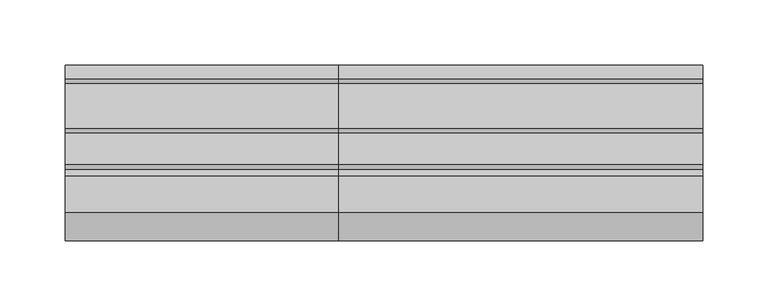
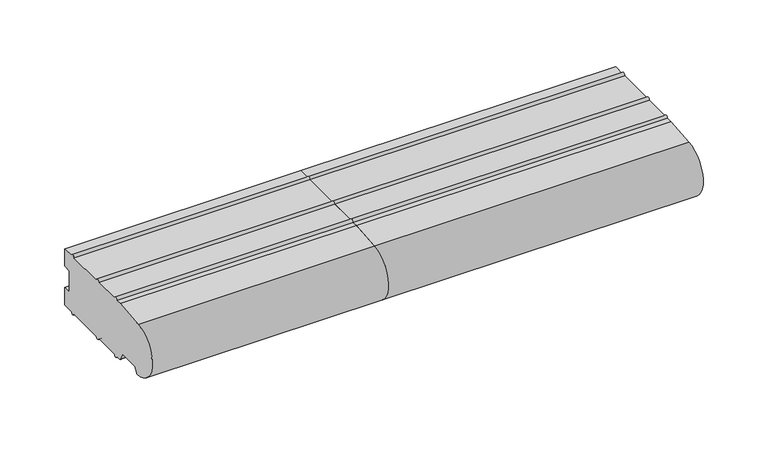
"""IFC4 building model written with IfcOpenShell, lengths in millimetres: proxy geometry."""

from ifc_helpers import new_model, si_unit, point, frame, frame_2d, origin, place, context, project, spatial, polyline, circle_curve, trimmed, segment, composite_curve, outline, extrude, source, transform, mapped, element, save


def generic_models_f843e7ea(model_context):
    return source(origin(), model_context, "Body", "SweptSolid", [
        extrude(outline(composite_curve([segment(trimmed(circle_curve(frame_2d((-26.0, 26.5)), 24.0), [point((-26.5981483, 2.5074549))], [point((-28.0858073, 50.4091909))], False, "CARTESIAN"), True, "CONTINUOUS"), segment(polyline([(-28.0858073, 50.4091909), (0.0, 52.8593609), (5.0, 52.8593609)]), True, "CONTINUOUS"), segment(trimmed(circle_curve(frame_2d((6.75, 52.8593609)), 1.75), [point((5.0, 52.8593609))], [point((8.5, 52.8593609))], False, "CARTESIAN"), True, "CONTINUOUS"), segment(polyline([(8.5, 52.8593609), (33.0, 52.8593609)]), True, "CONTINUOUS"), segment(trimmed(circle_curve(frame_2d((34.75, 52.8593609)), 1.75), [point((33.0, 52.8593609))], [point((36.5, 52.8593609))], False, "CARTESIAN"), True, "CONTINUOUS"), segment(polyline([(36.5, 52.8593609), (71.0, 52.8593609)]), True, "CONTINUOUS"), segment(trimmed(circle_curve(frame_2d((72.75, 52.8593609)), 1.75), [point((71.0, 52.8593609))], [point((74.5, 52.8593609))], False, "CARTESIAN"), True, "CONTINUOUS"), segment(polyline([(74.5, 52.8593609), (85.0, 52.8593609), (85.0, 36.5), (78.0, 36.5), (78.0, 16.5), (85.0, 16.5), (85.0, 0.0), (74.5, 0.0)]), True, "CONTINUOUS"), segment(trimmed(circle_curve(frame_2d((72.75, 0.0)), 1.75), [point((74.5, 0.0))], [point((71.0, 0.0))], False, "CARTESIAN"), True, "CONTINUOUS"), segment(polyline([(71.0, 0.0), (36.5, 0.0)]), True, "CONTINUOUS"), segment(trimmed(circle_curve(frame_2d((34.75, 0.0)), 1.75), [point((36.5, 0.0))], [point((33.0, 0.0))], False, "CARTESIAN"), True, "CONTINUOUS"), segment(polyline([(33.0, 0.0), (8.5, 0.0)]), True, "CONTINUOUS"), segment(trimmed(circle_curve(frame_2d((6.75, 0.0)), 1.75), [point((8.5, 0.0))], [point((5.0, 0.0))], False, "CARTESIAN"), True, "CONTINUOUS"), segment(polyline([(5.0, 0.0), (0.5773503, 0.0)]), True, "CONTINUOUS"), segment(trimmed(circle_curve(frame_2d((0.5773503, 1.0)), 1.0), [point((0.5773503, 0.0))], [point((-0.2886751, 0.5))], False, "CARTESIAN"), True, "CONTINUOUS"), segment(polyline([(-0.2886751, 0.5), (-3.7527767, 6.5)]), True, "CONTINUOUS"), segment(trimmed(circle_curve(frame_2d((-5.4848276, 5.5)), 2.0), [point((-3.7527767, 6.5))], [point((-5.4848276, 7.5))], True, "CARTESIAN"), True, "CONTINUOUS"), segment(polyline([(-5.4848276, 7.5), (-21.9585481, 7.5)]), True, "CONTINUOUS"), segment(trimmed(circle_curve(frame_2d((-21.9585481, 5.5)), 2.0), [point((-21.9585481, 7.5))], [point((-23.6905989, 6.5))], True, "CARTESIAN"), True, "CONTINUOUS"), segment(polyline([(-23.6905989, 6.5), (-25.7072001, 3.0071443)]), True, "CONTINUOUS"), segment(trimmed(circle_curve(frame_2d((-26.5732255, 3.5071443)), 1.0), [point((-25.7072001, 3.0071443))], [point((-26.5981483, 2.5074549))], False, "CARTESIAN"), True, "CONTINUOUS")], self_intersect=False)), frame((-210.0, 0.0, 0.0), z_axis=(1.0, 0.0, 0.0), x_axis=(0.0, 1.0, 0.0)), (0.0, 0.0, 1.0), 210.0),
        extrude(outline(composite_curve([segment(trimmed(circle_curve(frame_2d((-26.0, 26.5)), 24.0), [point((-26.5981483, 2.5074549))], [point((-28.0858073, 50.4091909))], False, "CARTESIAN"), True, "CONTINUOUS"), segment(polyline([(-28.0858073, 50.4091909), (-0.0400993, 52.8558627), (5.0, 52.8558627)]), True, "CONTINUOUS"), segment(trimmed(circle_curve(frame_2d((6.75, 52.8558627)), 1.75), [point((5.0, 52.8558627))], [point((8.5, 52.8558627))], False, "CARTESIAN"), True, "CONTINUOUS"), segment(polyline([(8.5, 52.8558627), (33.0, 52.8558627)]), True, "CONTINUOUS"), segment(trimmed(circle_curve(frame_2d((34.75, 52.8558627)), 1.75), [point((33.0, 52.8558627))], [point((36.5, 52.8558627))], False, "CARTESIAN"), True, "CONTINUOUS"), segment(polyline([(36.5, 52.8558627), (71.0, 52.8558627)]), True, "CONTINUOUS"), segment(trimmed(circle_curve(frame_2d((72.75, 52.8558627)), 1.75), [point((71.0, 52.8558627))], [point((74.5, 52.8558627))], False, "CARTESIAN"), True, "CONTINUOUS"), segment(polyline([(74.5, 52.8558627), (85.0, 52.8558627), (85.0, 36.5), (78.0, 36.5), (78.0, 16.5), (85.0, 16.5), (85.0, 0.0), (74.5, 0.0)]), True, "CONTINUOUS"), segment(trimmed(circle_curve(frame_2d((72.75, 0.0)), 1.75), [point((74.5, 0.0))], [point((71.0, 0.0))], False, "CARTESIAN"), True, "CONTINUOUS"), segment(polyline([(71.0, 0.0), (36.5, 0.0)]), True, "CONTINUOUS"), segment(trimmed(circle_curve(frame_2d((34.75, 0.0)), 1.75), [point((36.5, 0.0))], [point((33.0, 0.0))], False, "CARTESIAN"), True, "CONTINUOUS"), segment(polyline([(33.0, 0.0), (8.5, 0.0)]), True, "CONTINUOUS"), segment(trimmed(circle_curve(frame_2d((6.75, 0.0)), 1.75), [point((8.5, 0.0))], [point((5.0, 0.0))], False, "CARTESIAN"), True, "CONTINUOUS"), segment(polyline([(5.0, 0.0), (0.5773503, 0.0)]), True, "CONTINUOUS"), segment(trimmed(circle_curve(frame_2d((0.5773503, 1.0)), 1.0), [point((0.5773503, 0.0))], [point((-0.2886751, 0.5))], False, "CARTESIAN"), True, "CONTINUOUS"), segment(polyline([(-0.2886751, 0.5), (-3.7527767, 6.5)]), True, "CONTINUOUS"), segment(trimmed(circle_curve(frame_2d((-5.4848276, 5.5)), 2.0), [point((-3.7527767, 6.5))], [point((-5.4848276, 7.5))], True, "CARTESIAN"), True, "CONTINUOUS"), segment(polyline([(-5.4848276, 7.5), (-21.9585481, 7.5)]), True, "CONTINUOUS"), segment(trimmed(circle_curve(frame_2d((-21.9585481, 5.5)), 2.0), [point((-21.9585481, 7.5))], [point((-23.6905989, 6.5))], True, "CARTESIAN"), True, "CONTINUOUS"), segment(polyline([(-23.6905989, 6.5), (-25.7072001, 3.0071443)]), True, "CONTINUOUS"), segment(trimmed(circle_curve(frame_2d((-26.5732255, 3.5071443)), 1.0), [point((-25.7072001, 3.0071443))], [point((-26.5981483, 2.5074549))], False, "CARTESIAN"), True, "CONTINUOUS")], self_intersect=False), holes=[composite_curve([segment(polyline([(8.0, 31.0), (8.0, 22.0)]), True, "CONTINUOUS"), segment(trimmed(circle_curve(frame_2d((13.0, 29.5833333)), 9.0833333), [point((8.0, 22.0))], [point((18.0, 22.0))], True, "CARTESIAN"), True, "CONTINUOUS"), segment(polyline([(18.0, 22.0), (18.0, 31.0)]), True, "CONTINUOUS"), segment(trimmed(circle_curve(frame_2d((13.0, 23.4166667)), 9.0833333), [point((18.0, 31.0))], [point((8.0, 31.0))], True, "CARTESIAN"), True, "CONTINUOUS")], self_intersect=False), composite_curve([segment(trimmed(circle_curve(frame_2d((34.0, 29.5833333)), 9.0833333), [point((29.0, 22.0))], [point((39.0, 22.0))], True, "CARTESIAN"), True, "CONTINUOUS"), segment(polyline([(39.0, 22.0), (39.0, 31.0)]), True, "CONTINUOUS"), segment(trimmed(circle_curve(frame_2d((34.0, 23.4166667)), 9.0833333), [point((39.0, 31.0))], [point((29.0, 31.0))], True, "CARTESIAN"), True, "CONTINUOUS"), segment(polyline([(29.0, 31.0), (29.0, 22.0)]), True, "CONTINUOUS")], self_intersect=False), composite_curve([segment(trimmed(circle_curve(frame_2d((55.0, 29.5833333)), 9.0833333), [point((50.0, 22.0))], [point((60.0, 22.0))], True, "CARTESIAN"), True, "CONTINUOUS"), segment(polyline([(60.0, 22.0), (60.0, 31.0)]), True, "CONTINUOUS"), segment(trimmed(circle_curve(frame_2d((55.0, 23.4166667)), 9.0833333), [point((60.0, 31.0))], [point((50.0, 31.0))], True, "CARTESIAN"), True, "CONTINUOUS"), segment(polyline([(50.0, 31.0), (50.0, 22.0)]), True, "CONTINUOUS")], self_intersect=False)]), frame((0.0, 0.0, 0.0), z_axis=(1.0, 0.0, 0.0), x_axis=(0.0, 1.0, 0.0)), (0.0, 0.0, 1.0), 280.0),
    ])


if __name__ == "__main__":
    model = new_model("IFC4")
    model_context = context("Model", 3, world=origin())
    ifc_project = project(units=[si_unit("LENGTHUNIT", "METRE", prefix="MILLI")], contexts=[model_context])
    site = spatial("IfcSite", under=ifc_project)
    building = spatial("IfcBuilding", under=site)
    placement = place(None, origin())
    generic_models_shape = generic_models_f843e7ea(model_context)
    element("IfcBuildingElementProxy", 1, Name="Generic Models", at=placement, inside=building, context=model_context, shape_type="MappedRepresentation", body=[
        mapped(generic_models_shape, transform((0.0, 0.0, 0.0), x_axis=(1.0, 0.0, 0.0), y_axis=(0.0, 1.0, 0.0), z_axis=(0.0, 0.0, 1.0))),
    ])
    save(model, "model.ifc")
